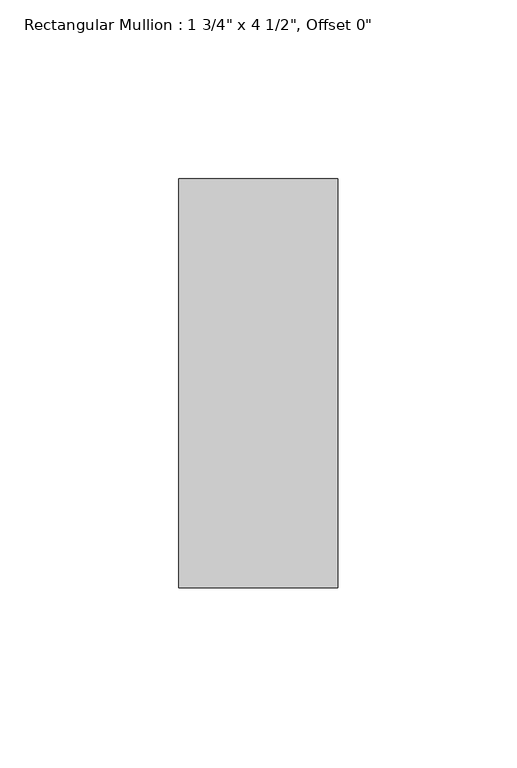
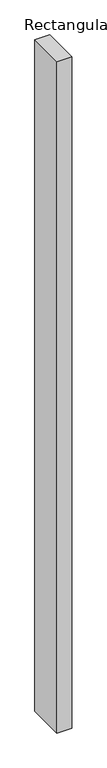
"""IFC4 building model written with IfcOpenShell, lengths in millimetres: member geometry."""

from ifc_helpers import new_model, si_unit, frame, origin, place, context, project, spatial, polyline, outline, extrude, source, transform, mapped, element, save


def member_d6a58058(model_context):
    return source(origin(), model_context, "Body", "SweptSolid", [
        extrude(outline(polyline([(0.0, 57.15), (0.0, -57.15), (-44.45, -57.15), (-44.45, 57.15), (0.0, 57.15)])), frame((0.0, 0.0, -2127.25), z_axis=(0.0, 0.0, 1.0), x_axis=(1.0, 0.0, 0.0)), (0.0, 0.0, 1.0), 2127.25),
    ])


if __name__ == "__main__":
    model = new_model("IFC4")
    model_context = context("Model", 3, world=origin())
    ifc_project = project(units=[si_unit("LENGTHUNIT", "METRE", prefix="MILLI")], contexts=[model_context])
    site = spatial("IfcSite", under=ifc_project)
    building = spatial("IfcBuilding", under=site)
    placement = place(None, origin())
    member_shape = member_d6a58058(model_context)
    element("IfcMember", 1, ObjectType="Rectangular Mullion : 1 3/4\" x 4 1/2\", Offset 0\"", at=placement, inside=building, context=model_context, shape_type="MappedRepresentation", body=[
        mapped(member_shape, transform((0.0, 0.0, 0.0), x_axis=(1.0, 0.0, 0.0), y_axis=(0.0, 1.0, 0.0), z_axis=(0.0, 0.0, 1.0))),
    ])
    save(model, "model.ifc")
